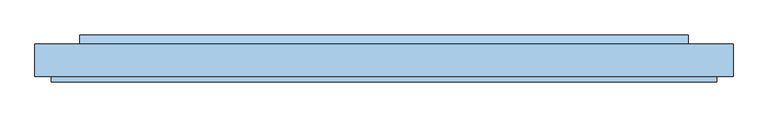
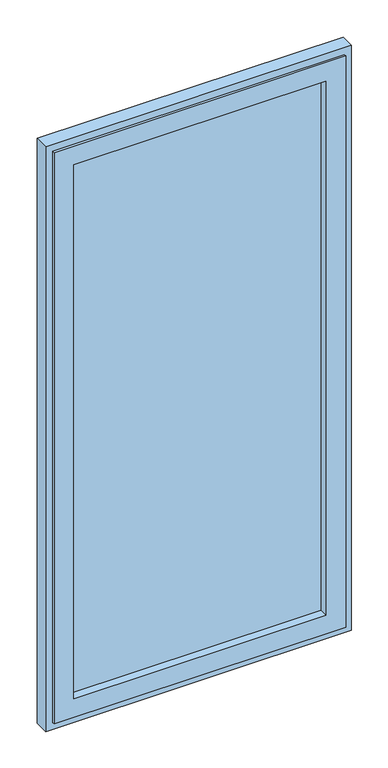
"""IFC4 building model written with IfcOpenShell, lengths in millimetres: window geometry."""

from ifc_helpers import new_model, si_unit, frame, origin, place, context, project, spatial, polyline, outline, extrude, faceted_brep, source, transform, mapped, element, save


def window_eafd06ab(model_context):
    return source(origin(), model_context, "Body", "SolidModel", [
        faceted_brep([(-548.0000002, -54.0, 27.0), (-548.0000002, -45.0, 27.0), (548.0000002, -45.0, 27.0), (548.0000002, -54.0, 27.0), (-517.0000002, 0.0, 58.0), (-517.0000002, 9.0, 58.0), (517.0000002, 9.0, 58.0), (517.0000002, 0.0, 58.0), (-474.0000002, 9.0, 101.0), (-474.0000002, -54.0, 101.0), (474.0000002, -54.0, 101.0), (474.0000002, 9.0, 101.0), (548.0000002, -45.0, 2298.0), (548.0000002, -54.0, 2298.0), (517.0000002, 9.0, 2267.0), (517.0000002, 0.0, 2267.0), (474.0000002, -54.0, 2224.0), (474.0000002, 9.0, 2224.0), (-548.0000002, -45.0, 2298.0), (-548.0000002, -54.0, 2298.0), (-517.0000002, 9.0, 2267.0), (-517.0000002, 0.0, 2267.0), (-474.0000002, -54.0, 2224.0), (-474.0000002, 9.0, 2224.0), (-523.0000002, 0.0, 52.0), (-523.0000002, 0.0, 2273.0), (523.0000002, 0.0, 2273.0), (523.0000002, 0.0, 52.0), (-523.0000002, -45.0, 52.0), (523.0000002, -45.0, 52.0), (523.0000002, -45.0, 2273.0), (-523.0000002, -45.0, 2273.0)], [[[0, 1, 2, 3]], [[4, 5, 6, 7]], [[8, 9, 10, 11]], [[3, 2, 12, 13]], [[7, 6, 14, 15]], [[11, 10, 16, 17]], [[13, 12, 18, 19]], [[15, 14, 20, 21]], [[17, 16, 22, 23]], [[19, 18, 1, 0]], [[5, 20, 14, 6], [11, 17, 23, 8]], [[21, 20, 5, 4]], [[24, 25, 26, 27], [7, 15, 21, 4]], [[23, 22, 9, 8]], [[3, 13, 19, 0], [9, 22, 16, 10]], [[28, 24, 27, 29]], [[29, 27, 26, 30]], [[30, 26, 25, 31]], [[1, 18, 12, 2], [29, 30, 31, 28]], [[31, 25, 24, 28]]]),
        extrude(outline(polyline([(474.0000002, -22.0), (-474.0000002, -22.0), (-474.0000002, 0.0), (474.0000002, 0.0), (474.0000002, -22.0)])), frame((0.0, 0.0, 101.0), z_axis=(0.0, 0.0, 1.0), x_axis=(1.0, 0.0, 0.0)), (0.0, 0.0, 1.0), 2123.0),
        extrude(outline(polyline([(24.0, 58.0), (9.0, 58.0), (9.0, 70.5), (24.0, 63.0), (24.0, 58.0)])), frame((-501.0000002, 0.0, 0.0), z_axis=(1.0, 0.0, 0.0), x_axis=(0.0, 1.0, 0.0)), (0.0, 0.0, 1.0), 1002.0000003),
        faceted_brep([(523.0000002, 0.0, 52.0), (523.0000002, 9.0, 52.0), (-523.0000002, 9.0, 52.0), (-523.0000002, 0.0, 52.0), (541.0000002, -45.0, 34.0), (541.0000002, 0.0, 34.0), (-541.0000002, 0.0, 34.0), (-541.0000002, -45.0, 34.0), (575.0000002, 9.0, 0.0), (575.0000002, -45.0, 0.0), (-575.0000002, -45.0, 0.0), (-575.0000002, 9.0, 0.0), (-523.0000002, 9.0, 2273.0), (-523.0000002, 0.0, 2273.0), (-541.0000002, 0.0, 2291.0), (-541.0000002, -45.0, 2291.0), (-575.0000002, -45.0, 2325.0), (-575.0000002, 9.0, 2325.0), (523.0000002, 9.0, 2273.0), (523.0000002, 0.0, 2273.0), (541.0000002, 0.0, 2291.0), (541.0000002, -45.0, 2291.0), (575.0000002, -45.0, 2325.0), (575.0000002, 9.0, 2325.0)], [[[0, 1, 2, 3]], [[4, 5, 6, 7]], [[8, 9, 10, 11]], [[3, 2, 12, 13]], [[7, 6, 14, 15]], [[11, 10, 16, 17]], [[13, 12, 18, 19]], [[15, 14, 20, 21]], [[17, 16, 22, 23]], [[19, 18, 1, 0]], [[5, 20, 14, 6], [3, 13, 19, 0]], [[21, 20, 5, 4]], [[9, 22, 16, 10], [7, 15, 21, 4]], [[23, 22, 9, 8]], [[11, 17, 23, 8], [1, 18, 12, 2]]]),
    ])


if __name__ == "__main__":
    model = new_model("IFC4")
    model_context = context("Model", 3, world=origin())
    ifc_project = project(units=[si_unit("LENGTHUNIT", "METRE", prefix="MILLI")], contexts=[model_context])
    site = spatial("IfcSite", under=ifc_project)
    building = spatial("IfcBuilding", under=site)
    placement = place(None, origin())
    window_shape = window_eafd06ab(model_context)
    element("IfcWindow", 1, at=placement, inside=building, context=model_context, shape_type="MappedRepresentation", body=[
        mapped(window_shape, transform((0.0, 0.0, 0.0), x_axis=(1.0, 0.0, 0.0), y_axis=(0.0, 1.0, 0.0), z_axis=(0.0, 0.0, 1.0))),
    ])
    save(model, "model.ifc")
